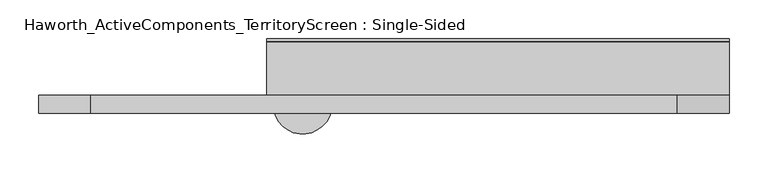
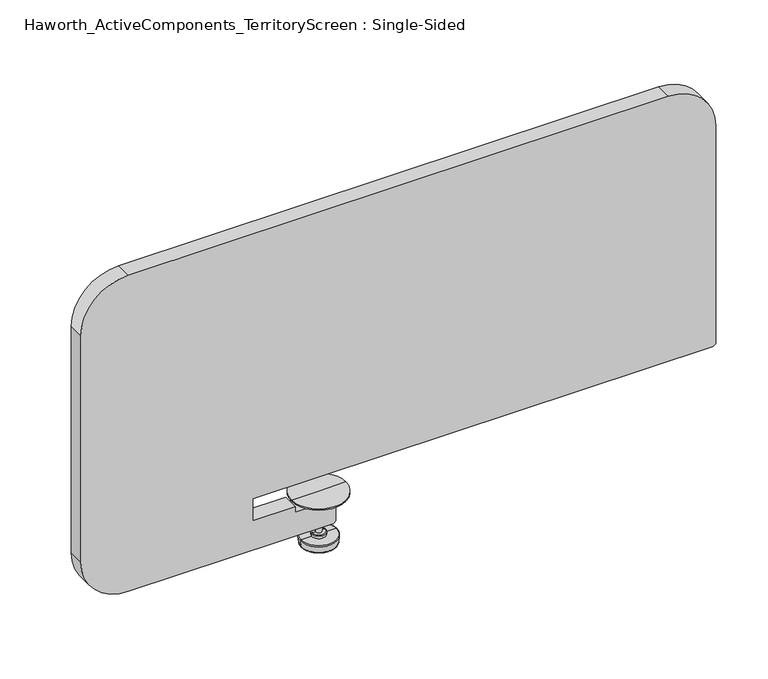
"""IFC4 building model written with IfcOpenShell, lengths in millimetres: furniture geometry, Haworth_ActiveComponents_TerritoryScreen : Single-Sided."""

import ifcopenshell
import ifcopenshell.guid

model = None  # the IFC model being written
_history = None  # IfcOwnerHistory: only IFC2X3 demands one
_inside = {}  # id of a spatial element -> (the spatial element, [elements in it])
_under = {}  # id of a project, library or spatial element -> (it, [spatial elements below it])
_declared = {}  # id of a project -> (the project, [libraries it declares])
_typed = {}  # id of a type object -> (the type object, [elements of that type])
_made_of = {}  # id of a material, layer set ... -> (it, [elements and type objects made of it])


def new_model(schema):
    """Start an empty IFC model of exactly this schema.

    Asked for "IFC4X3", IfcOpenShell would pick the latest addendum, in which some entities
    have other attributes; the version numbers below select the first issue.
    IFC2X3 requires an IfcOwnerHistory on every rooted entity: one is made here for all.
    """
    global model, _history
    if schema == "IFC4X3":
        model = ifcopenshell.file(schema_version=(4, 3, 0, 0))
    else:
        model = ifcopenshell.file(schema=schema)
    _inside.clear()
    _under.clear()
    _declared.clear()
    _typed.clear()
    _made_of.clear()
    _history = None
    if model.schema == "IFC2X3":
        org = make("IfcOrganization", Name="unknown")
        user = make(
            "IfcPersonAndOrganization",
            ThePerson=make("IfcPerson", FamilyName="unknown"),
            TheOrganization=org,
        )
        app = make(
            "IfcApplication",
            ApplicationDeveloper=org,
            Version="unknown",
            ApplicationFullName="unknown",
            ApplicationIdentifier="unknown",
        )
        _history = make(
            "IfcOwnerHistory",
            OwningUser=user,
            OwningApplication=app,
            ChangeAction="ADDED",
            CreationDate=0,
        )
    return model


def make(cls, **values):
    """One entity of the class cls with the attributes given. An attribute that is None is left unset."""
    return model.create_entity(
        cls, **{name: value for name, value in values.items() if value is not None}
    )


def rooted(cls, **values):
    """An entity with a GlobalId (a new one), such as an element, a storey or a relation."""
    return make(cls, GlobalId=ifcopenshell.guid.new(), OwnerHistory=_history, **values)


def si_unit(unit_type, name, prefix=None):
    """IfcSIUnit, for example si_unit("LENGTHUNIT", "METRE", prefix="MILLI")."""
    return make("IfcSIUnit", UnitType=unit_type, Prefix=prefix, Name=name)


def assignment(units):
    """IfcUnitAssignment: the units of a project."""
    return None if units is None else make("IfcUnitAssignment", Units=units)


def point(xyz):
    """IfcCartesianPoint."""
    return None if xyz is None else make("IfcCartesianPoint", Coordinates=xyz)


def direction(xyz):
    """IfcDirection."""
    return None if xyz is None else make("IfcDirection", DirectionRatios=xyz)


def frame(location, z_axis=None, x_axis=None):
    """IfcAxis2Placement3D, a coordinate frame: its origin and axes. An axis left out is left unset."""
    return make(
        "IfcAxis2Placement3D",
        Location=point(location),
        Axis=direction(z_axis),
        RefDirection=direction(x_axis),
    )


def frame_2d(location, x_axis=None):
    """IfcAxis2Placement2D, a coordinate frame in the plane: its origin and x axis."""
    return make(
        "IfcAxis2Placement2D", Location=point(location), RefDirection=direction(x_axis)
    )


def origin():
    """The frame at (0, 0, 0) with its axes left unset."""
    return frame((0.0, 0.0, 0.0))


def place(relative_to, where):
    """IfcLocalPlacement: puts the frame where relative to a parent placement (None: the world)."""
    return make(
        "IfcLocalPlacement", PlacementRelTo=relative_to, RelativePlacement=where
    )


def context(
    kind, dimensions, precision=None, world=None, true_north=None, identifier=None
):
    """IfcGeometricRepresentationContext, for example the 3D "Model" context."""
    return make(
        "IfcGeometricRepresentationContext",
        ContextIdentifier=identifier,
        ContextType=kind,
        CoordinateSpaceDimension=dimensions,
        Precision=precision,
        WorldCoordinateSystem=world,
        TrueNorth=true_north,
    )


def project(units=None, contexts=None):
    """IfcProject with its units and contexts."""
    return rooted(
        "IfcProject",
        Name="project",
        RepresentationContexts=contexts,
        UnitsInContext=assignment(units),
    )


def spatial(cls, under=None, at=None, **own):
    """A site, building, storey or space (cls), placed at a placement, below another one or the project."""
    s = rooted(cls, ObjectPlacement=at, **own)
    if under is not None:
        _under.setdefault(under.id(), (under, []))[1].append(s)
    return s


def polyline(points):
    """IfcPolyline through the points."""
    return make("IfcPolyline", Points=[point(p) for p in points])


def circle_curve(where, radius):
    """IfcCircle in the frame where."""
    return make("IfcCircle", Position=where, Radius=radius)


def ellipse_curve(where, semi_axis1, semi_axis2):
    """IfcEllipse in the frame where."""
    return make(
        "IfcEllipse", Position=where, SemiAxis1=semi_axis1, SemiAxis2=semi_axis2
    )


def trimmed(basis, trim1, trim2, sense, master):
    """IfcTrimmedCurve: the piece of a basis curve between two trims."""
    return make(
        "IfcTrimmedCurve",
        BasisCurve=basis,
        Trim1=trim1,
        Trim2=trim2,
        SenseAgreement=sense,
        MasterRepresentation=master,
    )


def segment(curve, same_sense, transition):
    """IfcCompositeCurveSegment."""
    return make(
        "IfcCompositeCurveSegment",
        Transition=transition,
        SameSense=same_sense,
        ParentCurve=curve,
    )


def composite_curve(segments, self_intersect=None):
    """IfcCompositeCurve: segments joined end to end."""
    return make("IfcCompositeCurve", Segments=segments, SelfIntersect=self_intersect)


def outline(outer, holes=None, kind="AREA"):
    """IfcArbitraryClosedProfileDef: a profile drawn as a closed curve; with holes, ...WithVoids."""
    if holes is None:
        return make("IfcArbitraryClosedProfileDef", ProfileType=kind, OuterCurve=outer)
    return make(
        "IfcArbitraryProfileDefWithVoids",
        ProfileType=kind,
        OuterCurve=outer,
        InnerCurves=holes,
    )


def extrude(swept, where, along, depth):
    """IfcExtrudedAreaSolid: the profile swept, set in the frame where, extruded along a direction by depth."""
    return make(
        "IfcExtrudedAreaSolid",
        SweptArea=swept,
        Position=where,
        ExtrudedDirection=direction(along),
        Depth=depth,
    )


def shape(context_of_items, identifier, shape_type, items):
    """IfcShapeRepresentation: the items that make up one representation, for example the "Body"."""
    return make(
        "IfcShapeRepresentation",
        ContextOfItems=context_of_items,
        RepresentationIdentifier=identifier,
        RepresentationType=shape_type,
        Items=items,
    )


def source(mapping_origin, context_of_items, identifier, shape_type, items):
    """IfcRepresentationMap: a shape defined once, which mapped items show again and again."""
    return make(
        "IfcRepresentationMap",
        MappingOrigin=mapping_origin,
        MappedRepresentation=shape(context_of_items, identifier, shape_type, items),
    )


def transform(
    local_origin,
    x_axis=None,
    y_axis=None,
    z_axis=None,
    scale=None,
    scale2=None,
    scale3=None,
    uniform=True,
):
    """IfcCartesianTransformationOperator3D, or its non-uniform kind. x_axis, y_axis, z_axis: its Axis1, 2, 3."""
    if uniform:
        return make(
            "IfcCartesianTransformationOperator3D",
            Axis1=direction(x_axis),
            Axis2=direction(y_axis),
            LocalOrigin=point(local_origin),
            Scale=scale,
            Axis3=direction(z_axis),
        )
    return make(
        "IfcCartesianTransformationOperator3DnonUniform",
        Axis1=direction(x_axis),
        Axis2=direction(y_axis),
        LocalOrigin=point(local_origin),
        Scale=scale,
        Axis3=direction(z_axis),
        Scale2=scale2,
        Scale3=scale3,
    )


def mapped(mapping_source, mapping_target):
    """IfcMappedItem: shows the shape of a source again, moved by a transform."""
    return make(
        "IfcMappedItem", MappingSource=mapping_source, MappingTarget=mapping_target
    )


def made_of(thing, what):
    """Note that an element or type object is made of a material, layer set ...; save() writes the relation."""
    if what is not None:
        _made_of.setdefault(what.id(), (what, []))[1].append(thing)
    return thing


def element(
    cls,
    number,
    at=None,
    inside=None,
    cuts=None,
    type_object=None,
    material=None,
    context=None,
    identifier="Body",
    shape_type=None,
    held_by="IfcProductDefinitionShape",
    body=None,
    shapes=None,
    **own,
):
    """One element of the class cls, such as IfcWall. Its Tag is "e" and its number.

    at: its placement. inside: the storey or other place that contains it. cuts: it is an
    opening in that element (IfcRelVoidsElement). A single representation is given by context,
    identifier, shape_type and body (its items); several are given by shapes. held_by: the class
    of the entity that holds the representations. save() writes the other relations.
    """
    e = rooted(cls, Tag="e%d" % number, ObjectPlacement=at, **own)
    if body is not None:
        shapes = [shape(context, identifier, shape_type, body)]
    if shapes is not None:
        e.Representation = make(held_by, Representations=shapes)
    if inside is not None:
        _inside.setdefault(inside.id(), (inside, []))[1].append(e)
    if cuts is not None:
        rooted(
            "IfcRelVoidsElement", RelatingBuildingElement=cuts, RelatedOpeningElement=e
        )
    if type_object is not None:
        _typed.setdefault(type_object.id(), (type_object, []))[1].append(e)
    return made_of(e, material)


def aggregate(whole, parts):
    """IfcRelAggregates: a whole, such as a stair, and the parts it consists of."""
    return rooted("IfcRelAggregates", RelatingObject=whole, RelatedObjects=parts)


def save(model, path):
    """Write the relations noted so far, then the file.

    IfcRelAggregates (storeys below a building ...), IfcRelContainedInSpatialStructure (elements
    in a storey), IfcRelDefinesByType, IfcRelAssociatesMaterial and IfcRelDeclares: one each for
    every whole, place, type object, material and project.
    """
    for whole, parts in _under.values():
        aggregate(whole, parts)
    for where, things in _inside.values():
        rooted(
            "IfcRelContainedInSpatialStructure",
            RelatedElements=things,
            RelatingStructure=where,
        )
    for kind, things in _typed.values():
        rooted("IfcRelDefinesByType", RelatedObjects=things, RelatingType=kind)
    for what, things in _made_of.values():
        rooted("IfcRelAssociatesMaterial", RelatedObjects=things, RelatingMaterial=what)
    for by, libraries in _declared.values():
        rooted("IfcRelDeclares", RelatingContext=by, RelatedDefinitions=libraries)
    model.write(path)


def plane_surface(at):
    """IfcPlane: the flat surface through the origin of the frame at, square to its z axis."""
    return make("IfcPlane", Position=at)


def cylinder_surface(at, radius):
    """IfcCylindricalSurface: all points at the distance radius from the z axis of the frame at."""
    return make("IfcCylindricalSurface", Position=at, Radius=radius)


def revolved_surface(curve, axis_point, axis_direction):
    """IfcSurfaceOfRevolution: the curve turned about the line through axis_point along axis_direction."""
    return make(
        "IfcSurfaceOfRevolution",
        SweptCurve=make("IfcArbitraryOpenProfileDef", ProfileType="CURVE", Curve=curve),
        AxisPosition=make("IfcAxis1Placement", Location=point(axis_point), Axis=direction(axis_direction)),
    )


def advanced_brep(points, edges, surfaces, faces):
    """IfcAdvancedBrep: a solid bounded by faces that lie on surfaces and meet in shared edges.

    An edge is (start, end): straight between two places in points (the first is 0);
    or (start, end, curve); or (start, end, curve, False) where it runs against its curve.
    A face is (place in surfaces, loops), or (place, loops, False) where it looks against
    its surface's normal. A loop lists edges by number (the first is 1), with a minus sign
    where the edge is run from its end to its start. The first loop is the outer one.
    """
    corners = [point(p) for p in points]
    vertices = [make("IfcVertexPoint", VertexGeometry=c) for c in corners]
    made = []
    for start, end, *more in edges:
        made.append(
            make(
                "IfcEdgeCurve",
                EdgeStart=vertices[start],
                EdgeEnd=vertices[end],
                EdgeGeometry=more[0] if more else make("IfcPolyline", Points=[corners[start], corners[end]]),
                SameSense=more[1] if len(more) > 1 else True,
            )
        )
    hull = []
    for where, loops, *sense in faces:
        bounds = []
        for j, loop in enumerate(loops):
            ring = [make("IfcOrientedEdge", EdgeElement=made[abs(k) - 1], Orientation=k > 0) for k in loop]
            bounds.append(
                make(
                    "IfcFaceOuterBound" if j == 0 else "IfcFaceBound",
                    Bound=make("IfcEdgeLoop", EdgeList=ring),
                    Orientation=True,
                )
            )
        hull.append(make("IfcAdvancedFace", Bounds=bounds, FaceSurface=surfaces[where], SameSense=sense[0] if sense else True))
    return make("IfcAdvancedBrep", Outer=make("IfcClosedShell", CfsFaces=hull))


def haworth_activecomponents_territoryscreen_single_sided_deb3227c(model_context):
    return source(origin(), model_context, "Body", "SolidModel", [
        extrude(outline(composite_curve([segment(polyline([(181.2465234, 720.750386), (181.2465234, 723.9254103), (250.0556409, 723.9254103)]), True, "CONTINUOUS"), segment(trimmed(circle_curve(frame_2d((250.0556409, 724.7599222)), 0.8345119), [point((250.0556409, 723.9254103))], [point((250.8901528, 724.7599222))], True, "CARTESIAN"), True, "CONTINUOUS"), segment(polyline([(250.8901528, 724.7599222), (250.8901528, 731.7994209), (254.0651498, 731.7994209), (254.0651498, 724.719136)]), True, "CONTINUOUS"), segment(trimmed(circle_curve(frame_2d((250.0963998, 724.719136)), 3.96875), [point((254.0651498, 724.719136))], [point((250.0963998, 720.750386))], False, "CARTESIAN"), True, "CONTINUOUS"), segment(polyline([(250.0963998, 720.750386), (181.2465234, 720.750386)]), True, "CONTINUOUS")], self_intersect=False)), frame((-19.05, 0.0, 0.0), z_axis=(1.0, 0.0, 0.0), x_axis=(0.0, 1.0, 0.0)), (0.0, 0.0, 1.0), 595.3125),
        advanced_brep(
        [(-11.1125, 169.7371484, 688.8734074), (65.0875, 169.7371484, 688.8734074), (65.0875, 169.7371484, 690.7783783), (-11.1125, 169.7371484, 690.7783783), (17.4625, 169.7371484, 688.8734074), (36.5125, 169.7371484, 688.8734074), (17.4625, 169.7371484, 682.5234316), (36.5125, 169.7371484, 682.5234316), (22.9743002, 169.7371484, 682.5234316), (31.0006998, 169.7371484, 682.5234316), (22.9743002, 169.7371484, 631.7234316), (31.0006998, 169.7371484, 631.7234316), (18.4546875, 169.7371484, 631.7234316), (35.5203125, 169.7371484, 631.7234316), (17.4625, 169.7371484, 630.7312441), (36.5125, 169.7371484, 630.7312441), (17.4625, 169.7371484, 626.9481901), (36.5125, 169.7371484, 626.9481901), (2.670286, 169.7371484, 626.9481901), (51.304714, 169.7371484, 626.9481901), (1.681874, 169.7371484, 625.8695277), (52.293126, 169.7371484, 625.8695277), (2.4815931, 169.7371484, 616.7287096), (51.4934069, 169.7371484, 616.7287096), (3.470005, 169.7371484, 615.8229971), (50.504995, 169.7371484, 615.8229971), (26.9875, 169.7371484, 615.8229971), (26.9875, 169.7371484, 690.7783783)],
        [
            (0, 1, circle_curve(frame((26.9875, 169.7371484, 688.8734074), z_axis=(0.0, 0.0, 1.0), x_axis=(1.0, 0.0, 0.0)), 38.1)),
            (1, 2),
            (2, 3, circle_curve(frame((26.9875, 169.7371484, 690.7783783), z_axis=(0.0, 0.0, -1.0), x_axis=(1.0, 0.0, 0.0)), 38.1)),
            (3, 0),
            (1, 0, circle_curve(frame((26.9875, 169.7371484, 688.8734074), z_axis=(0.0, 0.0, 1.0), x_axis=(1.0, 0.0, 0.0)), 38.1)),
            (3, 2, circle_curve(frame((26.9875, 169.7371484, 690.7783783), z_axis=(0.0, 0.0, -1.0), x_axis=(1.0, 0.0, 0.0)), 38.1)),
            (4, 5, circle_curve(frame((26.9875, 169.7371484, 688.8734074), z_axis=(0.0, 0.0, 1.0), x_axis=(1.0, 0.0, 0.0)), 9.525)),
            (5, 1),
            (0, 4),
            (5, 4, circle_curve(frame((26.9875, 169.7371484, 688.8734074), z_axis=(0.0, 0.0, 1.0), x_axis=(1.0, 0.0, 0.0)), 9.525)),
            (6, 7, circle_curve(frame((26.9875, 169.7371484, 682.5234316), z_axis=(0.0, 0.0, 1.0), x_axis=(1.0, 0.0, 0.0)), 9.525)),
            (7, 5),
            (4, 6),
            (7, 6, circle_curve(frame((26.9875, 169.7371484, 682.5234316), z_axis=(0.0, 0.0, 1.0), x_axis=(1.0, 0.0, 0.0)), 9.525)),
            (8, 9, circle_curve(frame((26.9875, 169.7371484, 682.5234316), z_axis=(0.0, 0.0, 1.0), x_axis=(1.0, 0.0, 0.0)), 4.0131998)),
            (9, 7),
            (6, 8),
            (9, 8, circle_curve(frame((26.9875, 169.7371484, 682.5234316), z_axis=(0.0, 0.0, 1.0), x_axis=(1.0, 0.0, 0.0)), 4.0131998)),
            (10, 11, circle_curve(frame((26.9875, 169.7371484, 631.7234316), z_axis=(0.0, 0.0, 1.0), x_axis=(1.0, 0.0, 0.0)), 4.0131998)),
            (11, 9),
            (8, 10),
            (11, 10, circle_curve(frame((26.9875, 169.7371484, 631.7234316), z_axis=(0.0, 0.0, 1.0), x_axis=(1.0, 0.0, 0.0)), 4.0131998)),
            (12, 13, circle_curve(frame((26.9875, 169.7371484, 631.7234316), z_axis=(0.0, 0.0, 1.0), x_axis=(1.0, 0.0, 0.0)), 8.5328125)),
            (13, 11),
            (10, 12),
            (13, 12, circle_curve(frame((26.9875, 169.7371484, 631.7234316), z_axis=(0.0, 0.0, 1.0), x_axis=(1.0, 0.0, 0.0)), 8.5328125)),
            (14, 15, circle_curve(frame((26.9875, 169.7371484, 630.7312441), z_axis=(0.0, 0.0, 1.0), x_axis=(1.0, 0.0, 0.0)), 9.525)),
            (15, 13, circle_curve(frame((35.5203125, 169.7371484, 630.7312441), z_axis=(0.0, -1.0, 0.0), x_axis=(0.0, 0.0, -1.0)), 0.9921875)),
            (12, 14, circle_curve(frame((18.4546875, 169.7371484, 630.7312441), z_axis=(0.0, -1.0, 0.0), x_axis=(0.0, 0.0, -1.0)), 0.9921875)),
            (15, 14, circle_curve(frame((26.9875, 169.7371484, 630.7312441), z_axis=(0.0, 0.0, 1.0), x_axis=(1.0, 0.0, 0.0)), 9.525)),
            (16, 17, circle_curve(frame((26.9875, 169.7371484, 626.9481901), z_axis=(0.0, 0.0, 1.0), x_axis=(1.0, 0.0, 0.0)), 9.525)),
            (17, 15),
            (14, 16),
            (17, 16, circle_curve(frame((26.9875, 169.7371484, 626.9481901), z_axis=(0.0, 0.0, 1.0), x_axis=(1.0, 0.0, 0.0)), 9.525)),
            (18, 19, circle_curve(frame((26.9875, 169.7371484, 626.9481901), z_axis=(0.0, 0.0, 1.0), x_axis=(1.0, 0.0, 0.0)), 24.317214)),
            (19, 17),
            (16, 18),
            (19, 18, circle_curve(frame((26.9875, 169.7371484, 626.9481901), z_axis=(0.0, 0.0, 1.0), x_axis=(1.0, 0.0, 0.0)), 24.317214)),
            (20, 21, circle_curve(frame((26.9875, 169.7371484, 625.8695277), z_axis=(0.0, 0.0, 1.0), x_axis=(1.0, 0.0, 0.0)), 25.305626)),
            (21, 19, circle_curve(frame((51.304714, 169.7371484, 625.9560026), z_axis=(0.0, -1.0, 0.0), x_axis=(0.0, 0.0, -1.0)), 0.9921875)),
            (18, 20, circle_curve(frame((2.670286, 169.7371484, 625.9560026), z_axis=(0.0, -1.0, 0.0), x_axis=(0.0, 0.0, -1.0)), 0.9921875)),
            (21, 20, circle_curve(frame((26.9875, 169.7371484, 625.8695277), z_axis=(0.0, 0.0, 1.0), x_axis=(1.0, 0.0, 0.0)), 25.305626)),
            (22, 23, circle_curve(frame((26.9875, 169.7371484, 616.7287096), z_axis=(0.0, 0.0, 1.0), x_axis=(1.0, 0.0, 0.0)), 24.5059069)),
            (23, 21),
            (20, 22),
            (23, 22, circle_curve(frame((26.9875, 169.7371484, 616.7287096), z_axis=(0.0, 0.0, 1.0), x_axis=(1.0, 0.0, 0.0)), 24.5059069)),
            (24, 25, circle_curve(frame((26.9875, 169.7371484, 615.8229971), z_axis=(0.0, 0.0, 1.0), x_axis=(1.0, 0.0, 0.0)), 23.517495)),
            (25, 23, circle_curve(frame((50.504995, 169.7371484, 616.8151846), z_axis=(0.0, -1.0, 0.0), x_axis=(0.0, 0.0, -1.0)), 0.9921875)),
            (22, 24, circle_curve(frame((3.470005, 169.7371484, 616.8151846), z_axis=(0.0, -1.0, 0.0), x_axis=(0.0, 0.0, -1.0)), 0.9921875)),
            (25, 24, circle_curve(frame((26.9875, 169.7371484, 615.8229971), z_axis=(0.0, 0.0, 1.0), x_axis=(1.0, 0.0, 0.0)), 23.517495)),
            (26, 25),
            (24, 26),
            (2, 27),
            (27, 3),
        ],
        [
            cylinder_surface(frame((26.9875, 169.7371484, 703.4783783), z_axis=(0.0, 0.0, -1.0), x_axis=(1.0, 0.0, 0.0)), 38.1),
            plane_surface(frame((26.9875, 169.7371484, 688.8734074), z_axis=(0.0, 0.0, -1.0), x_axis=(1.0, 0.0, 0.0))),
            cylinder_surface(frame((26.9875, 169.7371484, 703.4783783), z_axis=(0.0, 0.0, -1.0), x_axis=(1.0, 0.0, 0.0)), 9.525),
            plane_surface(frame((26.9875, 169.7371484, 682.5234316), z_axis=(0.0, 0.0, -1.0), x_axis=(1.0, 0.0, 0.0))),
            cylinder_surface(frame((26.9875, 169.7371484, 703.4783783), z_axis=(0.0, 0.0, -1.0), x_axis=(1.0, 0.0, 0.0)), 4.0131998),
            plane_surface(frame((26.9875, 169.7371484, 631.7234316), z_axis=(0.0, 0.0, 1.0), x_axis=(1.0, 0.0, 0.0))),
            revolved_surface(trimmed(ellipse_curve(frame((35.5203125, 169.7371484, 630.7312441), z_axis=(0.0, 1.0, 0.0), x_axis=(0.0, 0.0, -1.0)), 0.9921875, 0.9921875), [point((35.5203125, 169.7371484, 631.7234316))], [point((36.5125, 169.7371484, 630.7312441))], True, "CARTESIAN"), (26.9875, 169.7371484, 703.4783783), (0.0, 0.0, -1.0)),
            plane_surface(frame((26.9875, 169.7371484, 626.9481901), z_axis=(0.0, 0.0, 1.0), x_axis=(1.0, 0.0, 0.0))),
            revolved_surface(trimmed(ellipse_curve(frame((51.304714, 169.7371484, 625.9560026), z_axis=(0.0, 1.0, 0.0), x_axis=(0.0, 0.0, -1.0)), 0.9921875, 0.9921875), [point((51.304714, 169.7371484, 626.9481901))], [point((52.293126, 169.7371484, 625.8695277))], True, "CARTESIAN"), (26.9875, 169.7371484, 703.4783783), (0.0, 0.0, -1.0)),
            revolved_surface(polyline([(52.293126, 169.7371484, 625.8695277), (51.4934069, 169.7371484, 616.7287096)]), (26.9875, 169.7371484, 703.4783783), (0.0, 0.0, -1.0)),
            revolved_surface(trimmed(ellipse_curve(frame((50.504995, 169.7371484, 616.8151846), z_axis=(0.0, 1.0, 0.0), x_axis=(0.0, 0.0, -1.0)), 0.9921875, 0.9921875), [point((51.4934069, 169.7371484, 616.7287096))], [point((50.504995, 169.7371484, 615.8229971))], True, "CARTESIAN"), (26.9875, 169.7371484, 703.4783783), (0.0, 0.0, -1.0)),
            plane_surface(frame((26.9875, 169.7371484, 615.8229971), z_axis=(0.0, 0.0, -1.0), x_axis=(1.0, 0.0, 0.0))),
            plane_surface(frame((26.9875, 169.7371484, 690.7783783), z_axis=(0.0, 0.0, 1.0), x_axis=(1.0, 0.0, 0.0))),
        ],
        [
            (0, [[1, 2, 3, 4]]),
            (0, [[5, -4, 6, -2]]),
            (1, [[7, 8, -1, 9]]),
            (1, [[10, -9, -5, -8]]),
            (2, [[11, 12, -7, 13]]),
            (2, [[14, -13, -10, -12]]),
            (3, [[15, 16, -11, 17]]),
            (3, [[18, -17, -14, -16]]),
            (4, [[19, 20, -15, 21]]),
            (4, [[22, -21, -18, -20]]),
            (5, [[23, 24, -19, 25]]),
            (5, [[26, -25, -22, -24]]),
            (6, [[27, 28, -23, 29]]),
            (6, [[30, -29, -26, -28]]),
            (2, [[31, 32, -27, 33]]),
            (2, [[34, -33, -30, -32]]),
            (7, [[35, 36, -31, 37]]),
            (7, [[38, -37, -34, -36]]),
            (8, [[39, 40, -35, 41]]),
            (8, [[42, -41, -38, -40]]),
            (9, [[43, 44, -39, 45]]),
            (9, [[46, -45, -42, -44]]),
            (10, [[47, 48, -43, 49]]),
            (10, [[50, -49, -46, -48]]),
            (11, [[51, -47, 52]]),
            (11, [[-52, -50, -51]]),
            (12, [[-3, 53, 54]]),
            (12, [[-6, -54, -53]]),
        ],
    ),
        extrude(outline(composite_curve([segment(polyline([(688.2384171, -71.6914816), (720.750386, -71.6914816), (720.750386, 571.5)]), True, "CONTINUOUS"), segment(trimmed(circle_curve(frame_2d((725.512886, 571.5)), 4.7625), [point((720.750386, 571.5))], [point((725.512886, 576.2625))], False, "CARTESIAN"), True, "CONTINUOUS"), segment(polyline([(725.512886, 576.2625), (1046.2513754, 576.2625)]), True, "CONTINUOUS"), segment(trimmed(circle_curve(frame_2d((1046.2513754, 509.5875)), 66.675), [point((1046.2513754, 576.2625))], [point((1112.9263754, 509.5875))], False, "CARTESIAN"), True, "CONTINUOUS"), segment(polyline([(1112.9263754, 509.5875), (1112.9263754, -246.0625)]), True, "CONTINUOUS"), segment(trimmed(circle_curve(frame_2d((1046.2513754, -246.0625)), 66.675), [point((1112.9263754, -246.0625))], [point((1046.2513754, -312.7375))], False, "CARTESIAN"), True, "CONTINUOUS"), segment(polyline([(1046.2513754, -312.7375), (711.4285713, -312.7375)]), True, "CONTINUOUS"), segment(trimmed(circle_curve(frame_2d((711.4285713, -246.0625)), 66.675), [point((711.4285713, -312.7375))], [point((644.7535713, -246.0625))], False, "CARTESIAN"), True, "CONTINUOUS"), segment(polyline([(644.7535713, -246.0625), (644.7535713, 39.6240167)]), True, "CONTINUOUS"), segment(trimmed(circle_curve(frame_2d((649.5160713, 39.6240167)), 4.7625), [point((644.7535713, 39.6240167))], [point((649.5160713, 44.3865167))], False, "CARTESIAN"), True, "CONTINUOUS"), segment(polyline([(649.5160713, 44.3865167), (675.5511101, 44.3865167)]), True, "CONTINUOUS"), segment(trimmed(circle_curve(frame_2d((675.5511101, 39.6240167)), 4.7625), [point((675.5511101, 44.3865167))], [point((680.3136101, 39.6240167))], False, "CARTESIAN"), True, "CONTINUOUS"), segment(polyline([(680.3136101, 39.6240167), (680.3136101, -12.7634833), (688.2384171, -12.7634833), (688.2384171, -71.6914816)]), True, "CONTINUOUS")], self_intersect=False)), frame((0.0, 158.2277734, 0.0), z_axis=(0.0, 1.0, 0.0), x_axis=(0.0, 0.0, 1.0)), (0.0, 0.0, 1.0), 23.01875),
    ])


if __name__ == "__main__":
    model = new_model("IFC4")
    model_context = context("Model", 3, world=origin())
    ifc_project = project(units=[si_unit("LENGTHUNIT", "METRE", prefix="MILLI")], contexts=[model_context])
    site = spatial("IfcSite", under=ifc_project)
    building = spatial("IfcBuilding", under=site)
    placement = place(None, origin())
    haworth_activecomponents_territoryscreen_single_sided_shape = haworth_activecomponents_territoryscreen_single_sided_deb3227c(model_context)
    element("IfcFurniture", 1, ObjectType="Haworth_ActiveComponents_TerritoryScreen : Single-Sided", at=placement, inside=building, context=model_context, shape_type="MappedRepresentation", body=[
        mapped(haworth_activecomponents_territoryscreen_single_sided_shape, transform((0.0, 0.0, 0.0), x_axis=(1.0, 0.0, 0.0), y_axis=(0.0, 1.0, 0.0), z_axis=(0.0, 0.0, 1.0))),
    ])
    save(model, "model.ifc")
